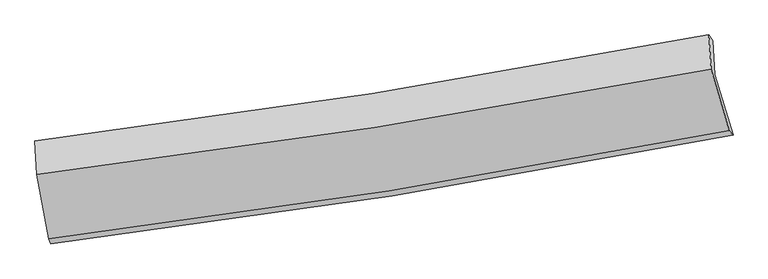
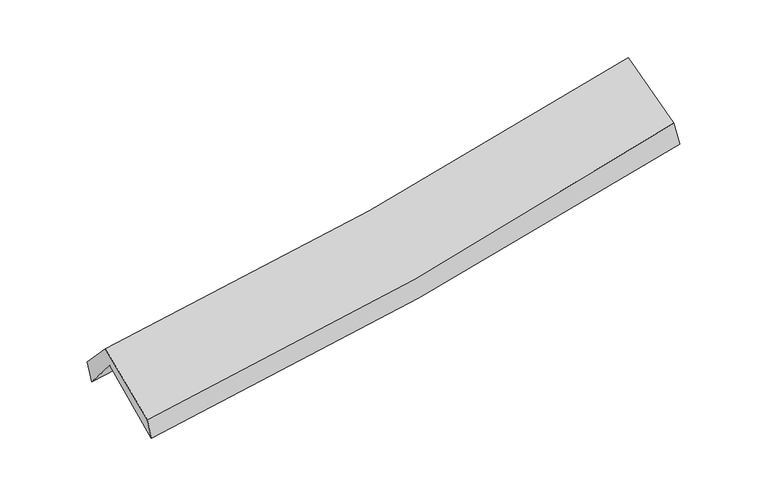
"""IFC4 building model written with IfcOpenShell, lengths in millimetres: proxy geometry."""

from ifc_helpers import new_model, si_unit, frame, origin, place, context, project, spatial, source, transform, mapped, element, save
from ifc_brep_helpers import plane_surface, spline_curve, spline_surface, advanced_brep


def generic_models_a581e59a(model_context):
    return source(origin(), model_context, "Body", "AdvancedBrep", [
        advanced_brep(
        [(-2565.7724576, -2489.9382325, 1476.5903755), (-2657.339221, -1995.2821965, 1912.409522), (2595.6311088, -1174.696536, 2368.5421804), (2738.4156014, -1644.1523603, 1948.8833916), (-2671.1037021, -1731.9228025, 1602.1663441), (2581.8342167, -910.8156211, 2057.7270319), (-2687.7003809, -1688.7992698, 1773.6741618), (2550.7574618, -863.9591167, 2238.0157298), (-2672.0705488, -1949.5744277, 2049.8673741), (2567.5884244, -1130.5102345, 2528.1667416), (-2581.1601913, -2452.8692575, 1641.3971338), (2708.3013766, -1608.0599223, 2138.5625184)],
        [
            (0, 1),
            (1, 2, spline_curve(3, [(-2657.339221, -1995.2821965, 1912.409522), (-1780.73042856, -1877.915433017, 1971.365380962), (-906.16819192, -1751.116080688, 2038.69566969), (844.85009981, -1477.717418485, 2190.624569646), (1721.277973215, -1330.988217048, 2275.338500087), (2595.6311088, -1174.696536, 2368.5421804)], [4, 2, 4], [0.0, 8.771003592434457, 17.602191072087308])),
            (2, 3),
            (3, 0, spline_curve(3, [(2738.4156014, -1644.1523603, 1948.8833916), (1859.037827759, -1817.550513073, 1845.708290924), (975.808844996, -1974.918108446, 1754.669775552), (-792.306153925, -2256.62898293, 1597.403626643), (-1677.139857408, -2381.190011517, 1531.011136475), (-2565.7724576, -2489.9382325, 1476.5903755)], [4, 2, 4], [0.0, 8.83118747965285, 17.602191072087308])),
            (1, 4),
            (4, 5, spline_curve(3, [(-2671.1037021, -1731.9228025, 1602.1663441), (-1792.168557249, -1622.503756411, 1650.036296678), (-916.441849708, -1499.648686691, 1711.757341351), (834.581637964, -1226.131312793, 1863.420168252), (1709.834236803, -1075.28398902, 1953.552685993), (2581.8342167, -910.8156211, 2057.7270319)], [4, 2, 4], [0.0, 8.72541934408934, 17.51070979052218])),
            (5, 2),
            (4, 6),
            (6, 7, spline_curve(3, [(-2687.7003809, -1688.7992698, 1773.6741618), (-1810.947542211, -1580.886071277, 1824.838858401), (-937.514154235, -1458.477542652, 1888.939652615), (808.684170311, -1183.730432023, 2043.542039476), (1681.403396531, -1031.192243514, 2134.221767747), (2550.7574618, -863.9591167, 2238.0157298)], [4, 2, 4], [0.0, 8.715677811477184, 17.491159881943638])),
            (7, 5),
            (6, 8),
            (8, 9, spline_curve(3, [(-2672.0705488, -1949.5744277, 2049.8673741), (-1794.799628037, -1842.808511284, 2101.090029903), (-921.006902347, -1721.453628914, 2166.375112643), (825.593985031, -1448.633128058, 2325.614589184), (1698.354250399, -1296.966612584, 2419.762629092), (2567.5884244, -1130.5102345, 2528.1667416)], [4, 2, 4], [0.0, 8.706499076937835, 17.472739431255313])),
            (9, 7),
            (8, 10),
            (10, 11, spline_curve(3, [(-2581.1601913, -2452.8692575, 1641.3971338), (-1694.093737616, -2344.891723972, 1693.216727751), (-811.264614997, -2220.798179129, 1760.362735454), (951.947591064, -1939.416992287, 1925.873478544), (1832.272324113, -1781.907425553, 2024.449265642), (2708.3013766, -1608.0599223, 2138.5625184)], [4, 2, 4], [0.0, 8.75284449852674, 17.565748282241078])),
            (11, 9),
            (10, 0),
            (3, 11),
        ],
        [
            spline_surface(3, 3, [[(-2565.7724576, -2489.9382325, 1476.5903755), (-1677.139857304, -2381.190011575, 1531.011136412), (-792.306153911, -2256.628982914, 1597.403626502), (975.808844982, -1974.918108462, 1754.669775695), (1859.037827903, -1817.550513042, 1845.708290931), (2738.4156014, -1644.1523603, 1948.8833916)], [(-2596.294712045, -2325.052887143, 1621.863424348), (-1711.670047733, -2213.431818667, 1677.795884601), (-830.260166615, -2088.124682203, 1744.500974294), (932.155929955, -1809.1845451, 1899.988040329), (1813.11787634, -1655.363081014, 1988.918360652), (2690.820770526, -1487.667085534, 2088.769654518)], [(-2626.816966555, -2160.167541857, 1767.136473152), (-1746.200238227, -2045.67362583, 1824.580632746), (-868.214179313, -1919.620381499, 1891.598322016), (888.503014935, -1643.450981747, 2045.306304894), (1767.197924801, -1493.175648984, 2132.128430421), (2643.225939674, -1331.181810766, 2228.655917482)], [(-2657.339221, -1995.2821965, 1912.409522), (-1780.730428656, -1877.915432922, 1971.365380935), (-906.168192017, -1751.116080788, 2038.695669808), (844.850099908, -1477.717418385, 2190.624569528), (1721.277973239, -1330.988216956, 2275.338500142), (2595.6311088, -1174.696536, 2368.5421804)]], [4, 4], [4, 2, 4], [0.0, 2.2220344145266755], [0.0, 8.771003592434457, 17.602191072087308]),
            spline_surface(3, 3, [[(-2657.339221, -1995.2821965, 1912.409522), (-1780.730428656, -1877.915432922, 1971.365380935), (-906.168192017, -1751.116080788, 2038.695669808), (844.850099908, -1477.717418385, 2190.624569528), (1721.277973239, -1330.988216956, 2275.338500142), (2595.6311088, -1174.696536, 2368.5421804)], [(-2661.927381373, -1907.495731858, 1808.995129342), (-1784.543138203, -1792.778207399, 1864.255686139), (-909.592744632, -1667.293616047, 1929.716227005), (841.427279291, -1393.855383236, 2081.556435727), (1717.463394475, -1245.75347424, 2168.076562068), (2591.03214478, -1086.736231001, 2264.9371309)], [(-2666.515541727, -1819.709267142, 1705.580736758), (-1788.355847731, -1707.640981804, 1757.145991417), (-913.017297217, -1583.471151296, 1820.73678424), (838.004458705, -1309.993348078, 1972.488301966), (1713.64881567, -1160.518731622, 2060.814623993), (2586.43318072, -998.775926099, 2161.3320814)], [(-2671.1037021, -1731.9228025, 1602.1663441), (-1792.168557279, -1622.503756281, 1650.03629662), (-916.441849832, -1499.648686555, 1711.757341437), (834.581638089, -1226.13131293, 1863.420168165), (1709.834236906, -1075.283988906, 1953.552685919), (2581.8342167, -910.8156211, 2057.7270319)]], [4, 4], [4, 2, 4], [0.0, 1.3541072889636288], [0.0, 8.72541934408934, 17.51070979052218]),
            spline_surface(3, 3, [[(-2671.1037021, -1731.9228025, 1602.1663441), (-1792.168557279, -1622.503756281, 1650.03629662), (-916.441849832, -1499.648686555, 1711.757341437), (834.581638089, -1226.13131293, 1863.420168165), (1709.834236906, -1075.283988906, 1953.552685919), (2581.8342167, -910.8156211, 2057.7270319)], [(-2676.635928371, -1717.548291584, 1659.33561667), (-1798.428218922, -1608.631194646, 1708.303817251), (-923.465951292, -1485.924971882, 1770.81811187), (825.949148847, -1211.997686009, 1923.460791921), (1700.357290131, -1060.586740396, 2013.775713228), (2571.47529838, -895.196786301, 2117.823264539)], [(-2682.168154629, -1703.173780716, 1716.50488923), (-1804.687880552, -1594.758633057, 1766.571337871), (-930.49005279, -1472.201257195, 1829.878882265), (817.316659568, -1197.864059075, 1983.501415637), (1690.880343416, -1045.889491882, 2073.99874052), (2561.11638012, -879.577951499, 2177.919497161)], [(-2687.7003809, -1688.7992698, 1773.6741618), (-1810.947542196, -1580.886071421, 1824.838858501), (-937.51415425, -1458.477542521, 1888.939652698), (808.684170326, -1183.730432154, 2043.542039393), (1681.403396642, -1031.192243372, 2134.221767828), (2550.7574618, -863.9591167, 2238.0157298)]], [4, 4], [4, 2, 4], [0.0, 0.6069012001290377], [0.0, 8.715677811477184, 17.491159881943638]),
            spline_surface(3, 3, [[(-2687.7003809, -1688.7992698, 1773.6741618), (-1810.947542196, -1580.886071421, 1824.838858501), (-937.51415425, -1458.477542521, 1888.939652698), (808.684170326, -1183.730432154, 2043.542039393), (1681.403396642, -1031.192243372, 2134.221767828), (2550.7574618, -863.9591167, 2238.0157298)], [(-2682.49043687, -1775.724322426, 1865.738565919), (-1805.564904136, -1668.193551394, 1916.922582364), (-932.011736973, -1546.136238008, 1981.418139351), (814.320775214, -1272.031330767, 2137.566222629), (1687.053681262, -1119.783699796, 2229.40205488), (2556.367782679, -952.809489301, 2334.732733737)], [(-2677.28049283, -1862.649375074, 1957.802969981), (-1800.182266066, -1755.501031389, 2009.00630617), (-926.509319639, -1633.794933493, 2073.896626038), (819.957380159, -1360.332229379, 2231.590405899), (1692.703965846, -1208.375156217, 2324.582341923), (2561.978103521, -1041.659861899, 2431.449737663)], [(-2672.0705488, -1949.5744277, 2049.8673741), (-1794.799628006, -1842.808511362, 2101.090030034), (-921.006902362, -1721.45362898, 2166.375112691), (825.593985046, -1448.633127991, 2325.614589135), (1698.354250466, -1296.966612641, 2419.762628975), (2567.5884244, -1130.5102345, 2528.1667416)]], [4, 4], [4, 2, 4], [0.0, 1.2630930871359443], [0.0, 8.706499076937835, 17.472739431255313]),
            spline_surface(3, 3, [[(-2672.0705488, -1949.5744277, 2049.8673741), (-1794.799628006, -1842.808511362, 2101.090030034), (-921.006902362, -1721.45362898, 2166.375112691), (825.593985046, -1448.633127991, 2325.614589135), (1698.354250466, -1296.966612641, 2419.762628975), (2567.5884244, -1130.5102345, 2528.1667416)], [(-2641.767096305, -2117.339370973, 1913.71062733), (-1761.230997895, -2010.169582264, 1965.132262591), (-884.426139895, -1887.901812369, 2031.037653621), (867.711853699, -1612.227749421, 2192.367552288), (1742.993608398, -1458.613550252, 2287.991507873), (2614.492741801, -1289.693463778, 2398.298667182)], [(-2611.463643795, -2285.104314227, 1777.55388057), (-1727.662367769, -2177.530653146, 1829.174495159), (-847.845377416, -2054.349995753, 1895.700194513), (909.829722362, -1775.822370845, 2059.120515403), (1787.632966326, -1620.260487827, 2156.220386824), (2661.397059199, -1448.876693022, 2268.430592818)], [(-2581.1601913, -2452.8692575, 1641.3971338), (-1694.093737657, -2344.891724048, 1693.216727716), (-811.264614948, -2220.798179142, 1760.362735442), (951.947591014, -1939.416992274, 1925.873478556), (1832.272324257, -1781.907425437, 2024.449265723), (2708.3013766, -1608.0599223, 2138.5625184)]], [4, 4], [4, 2, 4], [0.0, 2.129516872057676], [0.0, 8.75284449852674, 17.565748282241078]),
            spline_surface(3, 3, [[(-2581.1601913, -2452.8692575, 1641.3971338), (-1694.093737657, -2344.891724048, 1693.216727716), (-811.264614948, -2220.798179142, 1760.362735442), (951.947591014, -1939.416992274, 1925.873478556), (1832.272324257, -1781.907425437, 2024.449265723), (2708.3013766, -1608.0599223, 2138.5625184)], [(-2576.030946736, -2465.225582516, 1586.461547691), (-1688.442444208, -2356.991153239, 1639.148197273), (-804.945127913, -2232.741780392, 1706.043032438), (959.901342359, -1951.250697663, 1868.805577578), (1841.194158806, -1793.788454657, 1964.868940816), (2718.339451534, -1620.090734985, 2075.336142824)], [(-2570.901702164, -2477.581907484, 1531.525961609), (-1682.791150752, -2369.090582384, 1585.079666856), (-798.625640946, -2244.685381664, 1651.723329506), (967.855093637, -1963.084403073, 1811.737676673), (1850.115993354, -1805.669483822, 1905.288615838), (2728.377526466, -1632.121547615, 2012.109767176)], [(-2565.7724576, -2489.9382325, 1476.5903755), (-1677.139857304, -2381.190011575, 1531.011136412), (-792.306153911, -2256.628982914, 1597.403626502), (975.808844982, -1974.918108462, 1754.669775695), (1859.037827903, -1817.550513042, 1845.708290931), (2738.4156014, -1644.1523603, 1948.8833916)]], [4, 4], [4, 2, 4], [0.0, 0.5649977638215904], [0.0, 8.807611431857872, 17.675657942494595]),
            plane_surface(frame((2623.7546983, -1222.0322985, 2213.3162656), z_axis=(0.9745137082600279, 0.19049361360682987, 0.11847031521989501), x_axis=(0.22258542609701196, -0.7554073671579261, -0.6162916823491471))),
            plane_surface(frame((-2639.1910836, -2051.3976977, 1742.6841519), z_axis=(-0.9898490318384869, -0.12696627483715212, -0.06386281564719), x_axis=(-0.09071694928468396, 0.21853668619803177, 0.9716028776707402))),
        ],
        [
            (0, [[1, 2, 3, 4]]),
            (1, [[5, 6, 7, -2]]),
            (2, [[8, 9, 10, -6]]),
            (3, [[11, 12, 13, -9]]),
            (4, [[14, 15, 16, -12]]),
            (5, [[17, -4, 18, -15]]),
            (6, [[-16, -18, -3, -7, -10, -13]]),
            (7, [[-17, -14, -11, -8, -5, -1]]),
        ],
    ),
    ])


if __name__ == "__main__":
    model = new_model("IFC4")
    model_context = context("Model", 3, world=origin())
    ifc_project = project(units=[si_unit("LENGTHUNIT", "METRE", prefix="MILLI")], contexts=[model_context])
    site = spatial("IfcSite", under=ifc_project)
    building = spatial("IfcBuilding", under=site)
    placement = place(None, origin())
    generic_models_shape = generic_models_a581e59a(model_context)
    element("IfcBuildingElementProxy", 1, Name="Generic Models", at=placement, inside=building, context=model_context, shape_type="MappedRepresentation", body=[
        mapped(generic_models_shape, transform((0.0, 0.0, 0.0), x_axis=(1.0, 0.0, 0.0), y_axis=(0.0, 1.0, 0.0), z_axis=(0.0, 0.0, 1.0))),
    ])
    save(model, "model.ifc")
